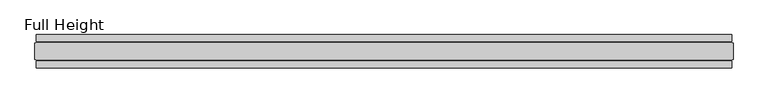
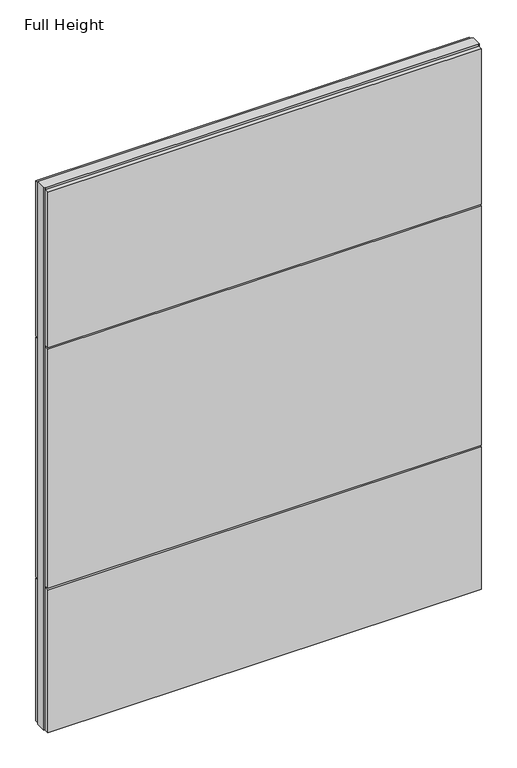
"""IFC4 building model written with IfcOpenShell, lengths in millimetres: plate geometry, Full Height."""

from ifc_helpers import new_model, si_unit, frame, origin, origin_with_axes, place, context, project, spatial, polyline, outline, extrude, source, transform, mapped, element, save


def full_height_413d4ed7(model_context):
    return source(origin(), model_context, "Body", "SweptSolid", [
        extrude(outline(polyline([(1036.828, 28.956), (-1036.828, 28.956), (-1036.828, 49.53), (1036.828, 49.53), (1036.828, 28.956)])), frame((0.0, 0.0, 1949.196), z_axis=(0.0, 0.0, 1.0), x_axis=(1.0, 0.0, 0.0)), (0.0, 0.0, 1.0), 784.86),
        extrude(outline(polyline([(1036.828, 28.956), (-1036.828, 28.956), (-1036.828, 49.53), (1036.828, 49.53), (1036.828, 28.956)])), frame((0.0, 0.0, 729.996), z_axis=(0.0, 0.0, 1.0), x_axis=(1.0, 0.0, 0.0)), (0.0, 0.0, 1.0), 1210.056),
        extrude(outline(polyline([(1036.828, 28.956), (-1036.828, 28.956), (-1036.828, 49.53), (1036.828, 49.53), (1036.828, 28.956)])), origin_with_axes(), (0.0, 0.0, 1.0), 720.852),
        extrude(outline(polyline([(1036.828, -28.956), (1036.828, -49.53), (-1036.828, -49.53), (-1036.828, -28.956), (1036.828, -28.956)])), frame((0.0, 0.0, 1949.196), z_axis=(0.0, 0.0, 1.0), x_axis=(1.0, 0.0, 0.0)), (0.0, 0.0, 1.0), 784.86),
        extrude(outline(polyline([(1036.828, -28.956), (1036.828, -49.53), (-1036.828, -49.53), (-1036.828, -28.956), (1036.828, -28.956)])), frame((0.0, 0.0, 729.996), z_axis=(0.0, 0.0, 1.0), x_axis=(1.0, 0.0, 0.0)), (0.0, 0.0, 1.0), 1210.056),
        extrude(outline(polyline([(1036.828, -28.956), (1036.828, -49.53), (-1036.828, -49.53), (-1036.828, -28.956), (1036.828, -28.956)])), origin_with_axes(), (0.0, 0.0, 1.0), 720.852),
        extrude(outline(polyline([(1036.828, -25.146), (1036.828, -26.67), (-1036.828, -26.67), (-1036.828, -25.146), (-1041.4, -25.146), (-1041.4, 25.146), (-1036.828, 25.146), (-1036.828, 26.67), (1036.828, 26.67), (1036.828, 25.146), (1041.4, 25.146), (1041.4, -25.146), (1036.828, -25.146)])), origin_with_axes(), (0.0, 0.0, 1.0), 2743.2),
    ])


if __name__ == "__main__":
    model = new_model("IFC4")
    model_context = context("Model", 3, world=origin())
    ifc_project = project(units=[si_unit("LENGTHUNIT", "METRE", prefix="MILLI")], contexts=[model_context])
    site = spatial("IfcSite", under=ifc_project)
    building = spatial("IfcBuilding", under=site)
    placement = place(None, origin())
    full_height_shape = full_height_413d4ed7(model_context)
    element("IfcPlate", 1, ObjectType="Full Height", at=placement, inside=building, context=model_context, shape_type="MappedRepresentation", body=[
        mapped(full_height_shape, transform((0.0, 0.0, 0.0), x_axis=(1.0, 0.0, 0.0), y_axis=(0.0, 1.0, 0.0), z_axis=(0.0, 0.0, 1.0))),
    ])
    save(model, "model.ifc")
